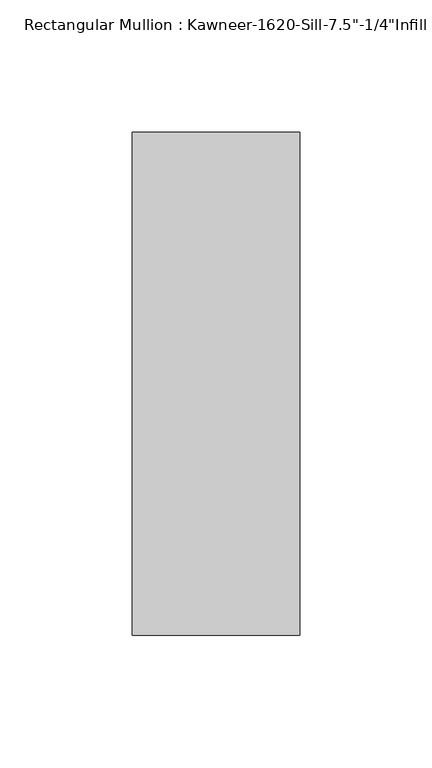
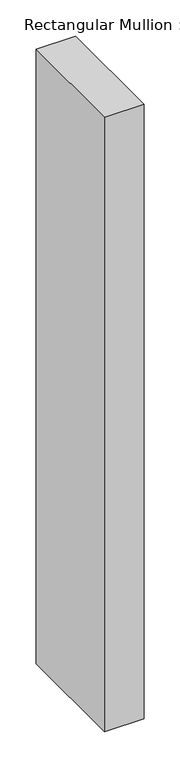
"""IFC4 building model written with IfcOpenShell, lengths in millimetres: member geometry."""

from ifc_helpers import new_model, si_unit, frame, origin, place, context, project, spatial, polyline, outline, extrude, source, transform, mapped, element, save


def member_33cfda3d(model_context):
    return source(origin(), model_context, "Body", "SweptSolid", [
        extrude(outline(polyline([(-63.5, 28.575), (0.0, 28.575), (0.0, -161.925), (-63.5, -161.925), (-63.5, 28.575)])), frame((0.0, 0.0, -1040.95042), z_axis=(0.0, 0.0, 1.0), x_axis=(1.0, 0.0, 0.0)), (0.0, 0.0, 1.0), 1040.95042),
    ])


if __name__ == "__main__":
    model = new_model("IFC4")
    model_context = context("Model", 3, world=origin())
    ifc_project = project(units=[si_unit("LENGTHUNIT", "METRE", prefix="MILLI")], contexts=[model_context])
    site = spatial("IfcSite", under=ifc_project)
    building = spatial("IfcBuilding", under=site)
    placement = place(None, origin())
    member_shape = member_33cfda3d(model_context)
    element("IfcMember", 1, ObjectType="Rectangular Mullion : Kawneer-1620-Sill-7.5\"-1/4\"Infill", at=placement, inside=building, context=model_context, shape_type="MappedRepresentation", body=[
        mapped(member_shape, transform((0.0, 0.0, 0.0), x_axis=(1.0, 0.0, 0.0), y_axis=(0.0, 1.0, 0.0), z_axis=(0.0, 0.0, 1.0))),
    ])
    save(model, "model.ifc")
